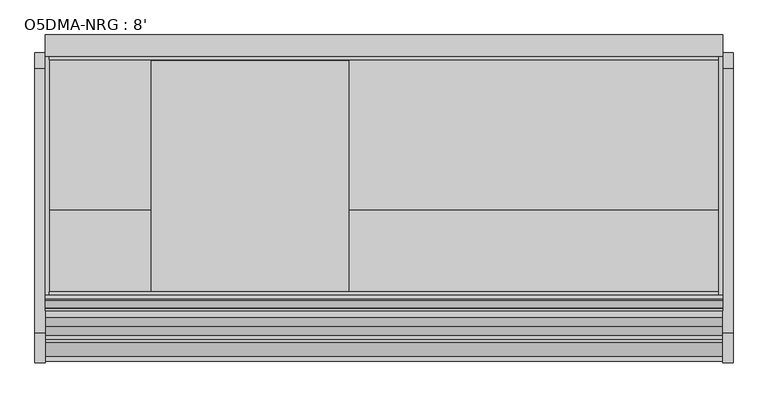
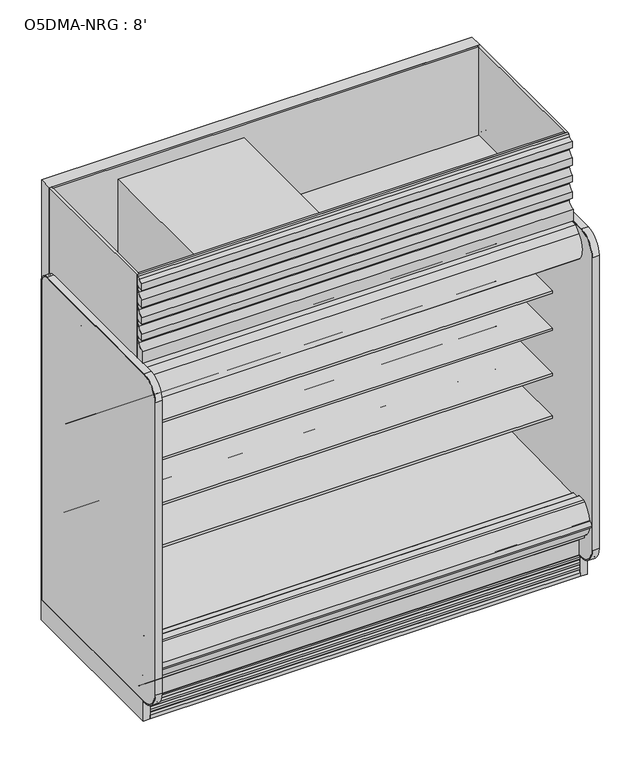
"""IFC4 building model written with IfcOpenShell, lengths in millimetres: proxy geometry, O5DMA-NRG : 8'."""

from ifc_helpers import new_model, si_unit, point, frame, frame_2d, origin, origin_with_axes, place, context, project, spatial, polyline, circle_curve, trimmed, segment, composite_curve, outline, extrude, source, transform, mapped, element, save
from ifc_brep_helpers import plane_surface, cylinder_surface, revolved_surface, advanced_brep


def o5dma_nrg_8_7479a749(model_context):
    return source(origin(), model_context, "Body", "SolidModel", [
        extrude(outline(composite_curve([segment(polyline([(-1263.6866217, 2085.9118693), (-1318.6996994, 2085.9118693), (-1318.6996994, 2154.4143683)]), True, "CONTINUOUS"), segment(trimmed(circle_curve(frame_2d((-1319.6860573, 2197.5880723)), 43.1849699), [point((-1318.6996994, 2154.4143683))], [point((-1278.4754826, 2184.6795423))], True, "CARTESIAN"), True, "CONTINUOUS"), segment(polyline([(-1278.4754826, 2184.6795423), (-1268.454686, 2220.5791394), (-1302.3579387, 2213.7016488), (-1308.8711502, 2213.7016488), (-1308.8711502, 2254.1281122)]), True, "CONTINUOUS"), segment(trimmed(circle_curve(frame_2d((-1322.8567475, 2297.2085177)), 45.2936891), [point((-1308.8711502, 2254.1281122))], [point((-1279.6211841, 2283.7102095))], True, "CARTESIAN"), True, "CONTINUOUS"), segment(polyline([(-1279.6211841, 2283.7102095), (-1268.454686, 2319.2947996), (-1302.3579387, 2312.4173089), (-1308.7129688, 2312.4173089), (-1308.7129688, 2352.8952074)]), True, "CONTINUOUS"), segment(trimmed(circle_curve(frame_2d((-1323.0244337, 2396.1573595)), 45.5678816), [point((-1308.7129688, 2352.8952074))], [point((-1279.5752621, 2382.4241398))], True, "CARTESIAN"), True, "CONTINUOUS"), segment(polyline([(-1279.5752621, 2382.4241398), (-1268.454686, 2417.6074274), (-1302.3579387, 2411.1335648), (-1308.7129688, 2411.1335648), (-1308.7129688, 2456.6217182)]), True, "CONTINUOUS"), segment(trimmed(circle_curve(frame_2d((-1323.0244337, 2499.8838703)), 45.5678816), [point((-1308.7129688, 2456.6217182))], [point((-1279.5752621, 2486.1506506))], True, "CARTESIAN"), True, "CONTINUOUS"), segment(polyline([(-1279.5752621, 2486.1506506), (-1268.454686, 2521.3339382), (-1302.3579387, 2514.8600756), (-1308.7129688, 2514.8600756), (-1308.7129688, 2555.3379741)]), True, "CONTINUOUS"), segment(trimmed(circle_curve(frame_2d((-1306.8077518, 2590.2849342)), 34.9988553), [point((-1308.7129688, 2555.3379741))], [point((-1281.9927789, 2565.6042334))], True, "CARTESIAN"), True, "CONTINUOUS"), segment(polyline([(-1281.9927789, 2565.6042334), (-1277.4161637, 2582.0), (-1263.6866217, 2582.0), (-1263.6866217, 2085.9118693)]), True, "CONTINUOUS")], self_intersect=False)), frame((0.0, 0.0, 0.0), z_axis=(1.0, 0.0, 0.0), x_axis=(0.0, 1.0, 0.0)), (0.0, 0.0, 1.0), 2438.4),
        extrude(outline(polyline([(245.4971536, -595.3134422), (245.4971536, -709.6134422), (67.6971536, -709.6134422), (67.6971536, -595.3134422), (245.4971536, -595.3134422)])), frame((0.0, 0.0, 68.5310382), z_axis=(0.0, 0.0, 1.0), x_axis=(1.0, 0.0, 0.0)), (0.0, 0.0, 1.0), 6.35),
        extrude(outline(polyline([(2438.4, -325.3089273), (2438.4, -401.5089273), (0.0, -401.5089273), (0.0, -325.3089273), (2438.4, -325.3089273)])), frame((0.0, 0.0, 206.450819), z_axis=(0.0, 0.0, 1.0), x_axis=(1.0, 0.0, 0.0)), (0.0, 0.0, 1.0), 2375.549181),
        extrude(outline(polyline([(-401.5089273, 2053.8264246), (-955.9036792, 2053.8264246), (-955.9036792, 2075.2), (-1263.6866217, 2075.2), (-1263.6866217, 2582.0), (-401.5089273, 2582.0), (-401.5089273, 2053.8264246)])), frame((2425.7, 0.0, 0.0), z_axis=(1.0, 0.0, 0.0), x_axis=(0.0, 1.0, 0.0)), (0.0, 0.0, 1.0), 12.7),
        extrude(outline(polyline([(2425.7, -401.5089273), (2425.7, -414.2089273), (12.7, -414.2089273), (12.7, -401.5089273), (2425.7, -401.5089273)])), frame((0.0, 0.0, 2053.8264246), z_axis=(0.0, 0.0, 1.0), x_axis=(1.0, 0.0, 0.0)), (0.0, 0.0, 1.0), 528.1735754),
        extrude(outline(polyline([(2425.7, -1249.5614572), (2425.7, -1263.6866217), (12.7, -1263.6866217), (12.7, -1249.5614572), (2425.7, -1249.5614572)])), frame((0.0, 0.0, 2075.2), z_axis=(0.0, 0.0, 1.0), x_axis=(1.0, 0.0, 0.0)), (0.0, 0.0, 1.0), 506.8),
        extrude(outline(polyline([(-401.5089273, 2053.8264246), (-955.9242099, 2053.8264246), (-955.9242099, 2075.2), (-1263.6866217, 2075.2), (-1263.6866217, 2582.0), (-401.5089273, 2582.0), (-401.5089273, 2053.8264246)])), frame((0.0, 0.0, 0.0), z_axis=(1.0, 0.0, 0.0), x_axis=(0.0, 1.0, 0.0)), (0.0, 0.0, 1.0), 12.7),
        extrude(outline(composite_curve([segment(polyline([(-504.9331995, 794.189381), (-504.9331995, 719.0883547), (-528.313746, 719.0883547)]), True, "CONTINUOUS"), segment(trimmed(circle_curve(frame_2d((-528.7455821, 744.4846835)), 25.4), [point((-528.313746, 719.0883547))], [point((-544.7229383, 724.7392008))], False, "CARTESIAN"), True, "CONTINUOUS"), segment(polyline([(-544.7229383, 724.7392008), (-562.5749995, 739.1844663)]), True, "CONTINUOUS"), segment(trimmed(circle_curve(frame_2d((-602.5183901, 689.8207596)), 63.5), [point((-562.5749995, 739.1844663))], [point((-594.6205089, 752.8276915))], True, "CARTESIAN"), True, "CONTINUOUS"), segment(polyline([(-594.6205089, 752.8276915), (-869.1842482, 776.5248289), (-870.6730247, 779.965381), (-1114.4144075, 779.965381), (-1114.4144075, 794.189381), (-504.9331995, 794.189381)]), True, "CONTINUOUS")], self_intersect=False)), frame((0.0, 0.0, 0.0), z_axis=(1.0, 0.0, 0.0), x_axis=(0.0, 1.0, 0.0)), (0.0, 0.0, 1.0), 2438.4),
        extrude(outline(composite_curve([segment(polyline([(-504.9331995, 1049.544493), (-504.9331995, 974.4434667), (-528.313746, 974.4434667)]), True, "CONTINUOUS"), segment(trimmed(circle_curve(frame_2d((-528.7455821, 999.8397955)), 25.4), [point((-528.313746, 974.4434667))], [point((-544.7229383, 980.0943128))], False, "CARTESIAN"), True, "CONTINUOUS"), segment(polyline([(-544.7229383, 980.0943128), (-562.5749995, 994.5395783)]), True, "CONTINUOUS"), segment(trimmed(circle_curve(frame_2d((-602.5183901, 945.1758716)), 63.5), [point((-562.5749995, 994.5395783))], [point((-594.6205089, 1008.1828035))], True, "CARTESIAN"), True, "CONTINUOUS"), segment(polyline([(-594.6205089, 1008.1828035), (-869.1842482, 1031.8799409), (-870.6730247, 1035.320493), (-1114.4144075, 1035.320493), (-1114.4144075, 1049.544493), (-504.9331995, 1049.544493)]), True, "CONTINUOUS")], self_intersect=False)), frame((0.0, 0.0, 0.0), z_axis=(1.0, 0.0, 0.0), x_axis=(0.0, 1.0, 0.0)), (0.0, 0.0, 1.0), 2438.4),
        extrude(outline(composite_curve([segment(polyline([(-504.9331995, 1319.5585779), (-504.9331995, 1244.4575515), (-528.313746, 1244.4575515)]), True, "CONTINUOUS"), segment(trimmed(circle_curve(frame_2d((-528.7455821, 1269.8538803)), 25.4), [point((-528.313746, 1244.4575515))], [point((-544.7229383, 1250.1083976))], False, "CARTESIAN"), True, "CONTINUOUS"), segment(polyline([(-544.7229383, 1250.1083976), (-562.5749995, 1264.5536632)]), True, "CONTINUOUS"), segment(trimmed(circle_curve(frame_2d((-602.5183901, 1215.1899564)), 63.5), [point((-562.5749995, 1264.5536632))], [point((-594.6205089, 1278.1968884))], True, "CARTESIAN"), True, "CONTINUOUS"), segment(polyline([(-594.6205089, 1278.1968884), (-869.1842482, 1301.8940258), (-870.6730247, 1305.3345779), (-1114.4144075, 1305.3345779), (-1114.4144075, 1319.5585779), (-504.9331995, 1319.5585779)]), True, "CONTINUOUS")], self_intersect=False)), frame((0.0, 0.0, 0.0), z_axis=(1.0, 0.0, 0.0), x_axis=(0.0, 1.0, 0.0)), (0.0, 0.0, 1.0), 2438.4),
        extrude(outline(polyline([(-819.1925954, 1873.7130953), (-820.7483185, 1873.3970543), (-824.056726, 1889.6828121), (-824.056726, 1949.6779319), (-754.206726, 1949.6779319), (-754.206726, 1948.4203121), (-766.112976, 1948.4203121), (-801.831726, 1924.6078121), (-801.831726, 1948.4203121), (-822.469226, 1948.4203121), (-822.469226, 1889.8424301), (-819.1925954, 1873.7130953)])), frame((0.0, 0.0, 0.0), z_axis=(1.0, 0.0, 0.0), x_axis=(0.0, 1.0, 0.0)), (0.0, 0.0, 1.0), 2438.4),
        extrude(outline(composite_curve([segment(trimmed(circle_curve(frame_2d((-774.1696558, 1920.6997366)), 14.2875), [point((-788.4571558, 1920.6997366))], [point((-759.8821558, 1920.6997366))], False, "CARTESIAN"), True, "CONTINUOUS"), segment(trimmed(circle_curve(frame_2d((-774.1696558, 1920.6997366)), 14.2875), [point((-759.8821558, 1920.6997366))], [point((-788.4571558, 1920.6997366))], False, "CARTESIAN"), True, "CONTINUOUS")], self_intersect=False)), frame((0.0, 0.0, 0.0), z_axis=(1.0, 0.0, 0.0), x_axis=(0.0, 1.0, 0.0)), (0.0, 0.0, 1.0), 2438.4),
        extrude(outline(polyline([(0.0, -6.35), (0.0, 0.0), (2438.4, 0.0), (2438.4, -6.35), (0.0, -6.35)])), frame((2438.4, -524.3976265, 1670.2859362), z_axis=(0.0, -0.580702955710887, 0.8141155183563569), x_axis=(-1.0, 0.0, 0.0)), (0.0, 0.0, 1.0), 300.455534),
        extrude(outline(composite_curve([segment(trimmed(circle_curve(frame_2d((-507.6345065, 1656.5706649)), 2.8575), [point((-504.9331995, 1655.6388672))], [point((-506.5179923, 1653.9403223))], False, "CARTESIAN"), True, "CONTINUOUS"), segment(polyline([(-506.5179923, 1653.9403223), (-515.6142737, 1650.0791799)]), True, "CONTINUOUS"), segment(trimmed(circle_curve(frame_2d((-516.7307879, 1652.7095225)), 2.8575), [point((-515.6142737, 1650.0791799))], [point((-519.2768391, 1651.4122447))], False, "CARTESIAN"), True, "CONTINUOUS"), segment(polyline([(-519.2768391, 1651.4122447), (-527.2046481, 1666.971446)]), True, "CONTINUOUS"), segment(trimmed(circle_curve(frame_2d((-526.0730698, 1667.5480139)), 1.27), [point((-527.2046481, 1666.971446))], [point((-526.6496378, 1668.6795922))], False, "CARTESIAN"), True, "CONTINUOUS"), segment(polyline([(-526.6496378, 1668.6795922), (-519.227993, 1673.9734), (-507.4434516, 1657.4520824), (-506.0470065, 1656.5706649), (-506.0470065, 1694.6699147), (-504.9331995, 1694.6699147), (-504.9331995, 1655.6388672)]), True, "CONTINUOUS")], self_intersect=False)), frame((0.0, 0.0, 0.0), z_axis=(1.0, 0.0, 0.0), x_axis=(0.0, 1.0, 0.0)), (0.0, 0.0, 1.0), 2438.4),
        extrude(outline(composite_curve([segment(polyline([(-696.8626604, 1923.0080191), (-693.7034096, 1918.5789129), (-698.8730432, 1914.8914491), (-701.4750016, 1914.0888217)]), True, "CONTINUOUS"), segment(trimmed(circle_curve(frame_2d((-702.1352778, 1916.2293059)), 2.2400083), [point((-701.4750016, 1914.0888217))], [point((-703.3202525, 1914.3283924))], False, "CARTESIAN"), True, "CONTINUOUS"), segment(polyline([(-703.3202525, 1914.3283924), (-727.3498745, 1948.0166799), (-743.2248745, 1948.0166799), (-743.2248745, 1949.6779319), (-726.9748589, 1949.6779319), (-714.1682492, 1931.7237274), (-704.480356, 1938.6340345)]), True, "CONTINUOUS"), segment(trimmed(circle_curve(frame_2d((-703.7428632, 1937.6001078)), 1.27), [point((-704.480356, 1938.6340345))], [point((-702.7089365, 1938.3376005))], False, "CARTESIAN"), True, "CONTINUOUS"), segment(polyline([(-702.7089365, 1938.3376005), (-693.4902771, 1925.4135167), (-696.8626604, 1923.0080191)]), True, "CONTINUOUS")], self_intersect=False)), frame((0.0, 0.0, 0.0), z_axis=(1.0, 0.0, 0.0), x_axis=(0.0, 1.0, 0.0)), (0.0, 0.0, 1.0), 2438.4),
        extrude(outline(composite_curve([segment(trimmed(circle_curve(frame_2d((368.3, 2358.8090336)), 12.7), [point((368.3, 2371.5090336))], [point((368.3, 2346.1090336))], False, "CARTESIAN"), True, "CONTINUOUS"), segment(trimmed(circle_curve(frame_2d((368.3, 2358.8090336)), 12.7), [point((368.3, 2346.1090336))], [point((368.3, 2371.5090336))], False, "CARTESIAN"), True, "CONTINUOUS")], self_intersect=False)), frame((0.0, -447.5561252, 0.0), z_axis=(0.0, 1.0, 0.0), x_axis=(0.0, 0.0, 1.0)), (0.0, 0.0, 1.0), 52.3971979),
        extrude(outline(composite_curve([segment(trimmed(circle_curve(frame_2d((368.3, 2320.3972115)), 9.525), [point((368.3, 2329.9222115))], [point((368.3, 2310.8722115))], False, "CARTESIAN"), True, "CONTINUOUS"), segment(trimmed(circle_curve(frame_2d((368.3, 2320.3972115)), 9.525), [point((368.3, 2310.8722115))], [point((368.3, 2329.9222115))], False, "CARTESIAN"), True, "CONTINUOUS")], self_intersect=False)), frame((0.0, -447.5561252, 0.0), z_axis=(0.0, 1.0, 0.0), x_axis=(0.0, 0.0, 1.0)), (0.0, 0.0, 1.0), 52.3971979),
        extrude(outline(composite_curve([segment(polyline([(-451.7851762, 2003.6360246), (-451.7851762, 404.745884), (-504.9331995, 404.745884), (-504.9331995, 1926.7316344)]), True, "CONTINUOUS"), segment(trimmed(circle_curve(frame_2d((-530.2144075, 1924.2779595)), 25.4), [point((-504.9331995, 1926.7316344))], [point((-530.1770065, 1949.6779319))], True, "CARTESIAN"), True, "CONTINUOUS"), segment(polyline([(-530.1770065, 1949.6779319), (-1114.9745421, 1949.6779319), (-1114.9745421, 1914.2218291)]), True, "CONTINUOUS"), segment(trimmed(circle_curve(frame_2d((-1117.196833, 1914.2218291)), 2.2222909), [point((-1114.9745421, 1914.2218291))], [point((-1117.196833, 1911.9995382))], False, "CARTESIAN"), True, "CONTINUOUS"), segment(polyline([(-1117.196833, 1911.9995382), (-1126.6611644, 1911.9995382)]), True, "CONTINUOUS"), segment(trimmed(circle_curve(frame_2d((-1126.6611644, 1912.3170382)), 0.3175), [point((-1126.6611644, 1911.9995382))], [point((-1126.6611644, 1912.6345382))], False, "CARTESIAN"), True, "CONTINUOUS"), segment(polyline([(-1126.6611644, 1912.6345382), (-1117.1970421, 1912.6345382)]), True, "CONTINUOUS"), segment(trimmed(circle_curve(frame_2d((-1117.1970421, 1914.2220382)), 1.5875), [point((-1117.1970421, 1912.6345382))], [point((-1115.6095421, 1914.2220382))], True, "CARTESIAN"), True, "CONTINUOUS"), segment(polyline([(-1115.6095421, 1914.2220382), (-1115.6095421, 1942.4487846), (-1220.1998155, 1942.4487846), (-1220.1998155, 1914.2220382)]), True, "CONTINUOUS"), segment(trimmed(circle_curve(frame_2d((-1218.6123155, 1914.2220382)), 1.5875), [point((-1220.1998155, 1914.2220382))], [point((-1218.6123155, 1912.6345382))], True, "CARTESIAN"), True, "CONTINUOUS"), segment(polyline([(-1218.6123155, 1912.6345382), (-1209.9959099, 1912.6345382)]), True, "CONTINUOUS"), segment(trimmed(circle_curve(frame_2d((-1209.9959099, 1912.3170382)), 0.3175), [point((-1209.9959099, 1912.6345382))], [point((-1209.9959099, 1911.9995382))], False, "CARTESIAN"), True, "CONTINUOUS"), segment(polyline([(-1209.9959099, 1911.9995382), (-1218.6125246, 1911.9995382)]), True, "CONTINUOUS"), segment(trimmed(circle_curve(frame_2d((-1218.6125246, 1914.2218291)), 2.2222909), [point((-1218.6125246, 1911.9995382))], [point((-1220.8348155, 1914.2220382))], False, "CARTESIAN"), True, "CONTINUOUS"), segment(polyline([(-1220.8348155, 1914.2220382), (-1220.8264025, 2003.6360246), (-451.7851762, 2003.6360246)]), True, "CONTINUOUS")], self_intersect=False)), frame((0.0, 0.0, 0.0), z_axis=(1.0, 0.0, 0.0), x_axis=(0.0, 1.0, 0.0)), (0.0, 0.0, 1.0), 2438.4),
        advanced_brep(
        [(2438.4, -1428.7889874, 391.24255), (2438.4, -1428.7889874, 254.2724833), (2438.4, -1275.0830824, 130.175), (2438.4, -401.5089273, 130.175), (2438.4, -401.5089273, 2053.8264246), (2438.4, -1260.1538424, 2053.8264246), (2438.4, -1260.1538424, 2003.6360246), (2438.4, -451.7851762, 2003.6360246), (2438.4, -451.7851762, 363.9695251), (2438.4, -599.5014929, 211.662363), (2438.4, -1043.5931205, 195.6779213), (2438.4, -1096.7050237, 157.095884), (2438.4, -1163.5210307, 157.095884), (2438.4, -1221.5656168, 189.2720563), (2438.4, -1379.2843872, 341.5792153), (2438.4, -1379.2843872, 391.24255), (0.0, -1428.7889874, 391.24255), (0.0, -1379.2843872, 391.24255), (0.0, -1379.2843872, 341.5792153), (0.0, -1221.5656168, 189.2720563), (0.0, -1163.5210307, 157.095884), (0.0, -1096.7050237, 157.095884), (0.0, -1043.5931205, 195.6779213), (0.0, -599.5014929, 211.662363), (0.0, -451.7851762, 363.9695251), (0.0, -451.7851762, 2003.6360246), (0.0, -1260.1538424, 2003.6360246), (0.0, -1260.1538424, 2053.8264246), (0.0, -401.5089273, 2053.8264246), (0.0, -401.5089273, 130.175), (0.0, -1275.0830824, 130.175), (0.0, -1428.7889874, 254.2724833), (2336.8, -401.5089273, 317.5), (2336.8, -401.5089273, 419.1), (2336.8, -447.5561252, 317.5), (2336.8, -447.5561252, 419.1)],
        [
            (0, 1),
            (1, 2),
            (2, 3),
            (3, 4),
            (4, 5),
            (5, 6),
            (6, 7),
            (7, 8),
            (8, 9, circle_curve(frame((2438.4, -605.0132276, 364.7934683), z_axis=(-1.0, 0.0, 0.0), x_axis=(0.0, 1.0, 0.0)), 153.2302667)),
            (9, 10),
            (10, 11),
            (11, 12),
            (12, 13),
            (13, 14, circle_curve(frame((2438.4, -1226.8843872, 341.5792153), z_axis=(-1.0, 0.0, 0.0), x_axis=(0.0, 1.0, 0.0)), 152.4)),
            (14, 15),
            (15, 0),
            (16, 17),
            (17, 18),
            (18, 19, circle_curve(frame((0.0, -1226.8843872, 341.5792153), z_axis=(1.0, 0.0, 0.0), x_axis=(0.0, 1.0, 0.0)), 152.4)),
            (19, 20),
            (20, 21),
            (21, 22),
            (22, 23),
            (23, 24, circle_curve(frame((0.0, -605.0132276, 364.7934683), z_axis=(1.0, 0.0, 0.0), x_axis=(0.0, 1.0, 0.0)), 153.2302667)),
            (24, 25),
            (25, 26),
            (26, 27),
            (27, 28),
            (28, 29),
            (29, 30),
            (30, 31),
            (31, 16),
            (0, 16),
            (31, 1),
            (30, 2),
            (29, 3),
            (28, 4),
            (32, 33, circle_curve(frame((2336.8, -401.5089273, 368.3), z_axis=(0.0, -1.0, 0.0), x_axis=(0.0, 0.0, 1.0)), 50.8)),
            (33, 32, circle_curve(frame((2336.8, -401.5089273, 368.3), z_axis=(0.0, -1.0, 0.0), x_axis=(0.0, 0.0, 1.0)), 50.8)),
            (27, 5),
            (26, 6),
            (25, 7),
            (24, 8),
            (23, 9),
            (22, 10),
            (21, 11),
            (20, 12),
            (19, 13),
            (18, 14),
            (17, 15),
            (34, 35, circle_curve(frame((2336.8, -447.5561252, 368.3), z_axis=(0.0, 1.0, 0.0), x_axis=(0.0, 0.0, 1.0)), 50.8)),
            (35, 34, circle_curve(frame((2336.8, -447.5561252, 368.3), z_axis=(0.0, 1.0, 0.0), x_axis=(0.0, 0.0, 1.0)), 50.8)),
            (35, 33),
            (32, 34),
        ],
        [
            plane_surface(frame((2438.4, -1428.7889874, 254.2724833), z_axis=(1.0, 0.0, 0.0), x_axis=(0.0, 0.0, -1.0))),
            plane_surface(frame((0.0, -1428.7889874, 254.2724833), z_axis=(-1.0, 0.0, 0.0), x_axis=(0.0, 0.0, 1.0))),
            plane_surface(frame((2438.4, -1428.7889874, 391.24255), z_axis=(0.0, -1.0, 0.0), x_axis=(-1.0, 0.0, 0.0))),
            plane_surface(frame((2438.4, -1428.7889874, 254.2724833), z_axis=(0.0, -0.6281851642637378, -0.7780638787393622), x_axis=(-1.0, 0.0, 0.0))),
            plane_surface(frame((2438.4, -1275.0830824, 130.175), z_axis=(0.0, 0.0, -1.0), x_axis=(-1.0, 0.0, 0.0))),
            plane_surface(frame((2438.4, -401.5089273, 130.175), z_axis=(0.0, 1.0, 0.0), x_axis=(-1.0, 0.0, 0.0))),
            plane_surface(frame((2438.4, -401.5089273, 2053.8264246), z_axis=(0.0, 0.0, 1.0), x_axis=(-1.0, 0.0, 0.0))),
            plane_surface(frame((2438.4, -1260.1538424, 2053.8264246), z_axis=(0.0, -1.0, 0.0), x_axis=(-1.0, 0.0, 0.0))),
            plane_surface(frame((2438.4, -1260.1538424, 2003.6360246), z_axis=(0.0, 0.0, -1.0), x_axis=(-1.0, 0.0, 0.0))),
            plane_surface(frame((2438.4, -451.7851762, 2003.6360246), z_axis=(0.0, -1.0, 0.0), x_axis=(-1.0, 0.0, 0.0))),
            revolved_surface(polyline([(0.0, -451.78296090000003, 364.7934683), (2438.4, -451.78296090000003, 364.7934683)]), (0.0, -605.0132276, 364.7934683), (-1.0, 0.0, 0.0)),
            plane_surface(frame((2438.4, -599.5014929, 211.662363), z_axis=(0.0, -0.035970274152171335, 0.9993528602938092), x_axis=(-1.0, 0.0, 0.0))),
            plane_surface(frame((2438.4, -1043.5931205, 195.6779213), z_axis=(0.0, -0.5877252382160976, 0.8090605937529224), x_axis=(-1.0, 0.0, 0.0))),
            plane_surface(frame((2438.4, -1096.7050237, 157.095884), z_axis=(0.0, 0.0, 1.0), x_axis=(-1.0, 0.0, 0.0))),
            plane_surface(frame((2438.4, -1163.5210307, 157.095884), z_axis=(0.0, 0.48482728759131516, 0.8746099137368889), x_axis=(-1.0, 0.0, 0.0))),
            revolved_surface(polyline([(0.0, -1074.4843872, 341.5792153), (2438.4, -1074.4843872, 341.5792153)]), (0.0, -1226.8843872, 341.5792153), (-1.0, 0.0, 0.0)),
            plane_surface(frame((2438.4, -1379.2843872, 341.5792153), z_axis=(0.0, 1.0, 0.0), x_axis=(-1.0, 0.0, 0.0))),
            plane_surface(frame((2438.4, -1379.2843872, 391.24255), z_axis=(0.0, 0.0, 1.0), x_axis=(-1.0, 0.0, 0.0))),
            plane_surface(frame((2336.8, -447.5561252, 419.1), z_axis=(0.0, 1.0, 0.0), x_axis=(-1.0, 0.0, 0.0))),
            revolved_surface(polyline([(2336.8, -447.5561252, 419.1), (2336.8, -401.5089273, 419.1)]), (2336.8, -401.5089273, 368.3), (0.0, -1.0, 0.0)),
        ],
        [
            (0, [[1, 2, 3, 4, 5, 6, 7, 8, 9, 10, 11, 12, 13, 14, 15, 16]]),
            (1, [[17, 18, 19, 20, 21, 22, 23, 24, 25, 26, 27, 28, 29, 30, 31, 32]]),
            (2, [[-1, 33, -32, 34]]),
            (3, [[-2, -34, -31, 35]]),
            (4, [[-3, -35, -30, 36]]),
            (5, [[-4, -36, -29, 37], [38, 39]]),
            (6, [[-5, -37, -28, 40]]),
            (7, [[-6, -40, -27, 41]]),
            (8, [[-7, -41, -26, 42]]),
            (9, [[-8, -42, -25, 43]]),
            (10, [[-9, -43, -24, 44]]),
            (11, [[-10, -44, -23, 45]]),
            (12, [[-11, -45, -22, 46]]),
            (13, [[-12, -46, -21, 47]]),
            (14, [[-13, -47, -20, 48]]),
            (15, [[-14, -48, -19, 49]]),
            (16, [[-15, -49, -18, 50]]),
            (17, [[-16, -50, -17, -33]]),
            (18, [[51, 52]]),
            (19, [[-52, 53, -38, 54]]),
            (19, [[-51, -54, -39, -53]]),
        ],
    ),
        advanced_brep(
        [(2438.4, -1221.5656168, 189.2720563), (2438.4, -1163.5210307, 157.095884), (2438.4, -1096.7050237, 157.095884), (2438.4, -1043.5931205, 195.6779213), (2438.4, -599.5014929, 211.662363), (2438.4, -451.7851762, 363.9695251), (2438.4, -451.7851762, 404.745884), (2438.4, -504.9543965, 404.745884), (2438.4, -504.9543965, 468.8781737), (2438.4, -516.6398058, 457.951581), (2438.4, -611.5826347, 451.2993262), (2438.4, -611.5826347, 459.5548668), (2438.4, -1317.6144075, 447.2310363), (2438.4, -1317.6144075, 451.8697146), (2438.4, -1324.3287142, 459.701519), (2438.4, -1379.2843872, 459.701519), (2438.4, -1379.2843872, 341.5792153), (0.0, -1221.5656168, 189.2720563), (0.0, -1379.2843872, 341.5792153), (0.0, -1379.2843872, 459.701519), (0.0, -1324.3287142, 459.701519), (0.0, -1317.6144075, 451.8697146), (0.0, -1317.6144075, 447.2310363), (0.0, -611.5826347, 459.5548668), (0.0, -611.5826347, 451.2993262), (0.0, -516.6285003, 457.9391661), (0.0, -504.9543965, 468.8781737), (0.0, -504.9543965, 404.745884), (0.0, -451.7851762, 404.745884), (0.0, -451.7851762, 363.9695251), (0.0, -599.5014929, 211.662363), (0.0, -1043.5931205, 195.6779213), (0.0, -1096.7050237, 157.095884), (0.0, -1163.5210307, 157.095884)],
        [
            (0, 1),
            (1, 2),
            (2, 3),
            (3, 4),
            (4, 5, circle_curve(frame((2438.4, -605.0132276, 364.7934683), z_axis=(1.0, 0.0, 0.0), x_axis=(0.0, 1.0, 0.0)), 153.2302667)),
            (5, 6),
            (6, 7),
            (7, 8),
            (8, 9, circle_curve(frame((2438.4, -517.5249667, 470.6099714), z_axis=(-1.0, 0.0, 0.0), x_axis=(0.0, 1.0, 0.0)), 12.689301)),
            (9, 10),
            (10, 11),
            (11, 12),
            (12, 13),
            (13, 14, circle_curve(frame((2438.4, -1325.5392075, 451.8697146), z_axis=(1.0, 0.0, 0.0), x_axis=(0.0, 1.0, 0.0)), 7.9248)),
            (14, 15),
            (15, 16),
            (16, 0, circle_curve(frame((2438.4, -1226.8843872, 341.5792153), z_axis=(1.0, 0.0, 0.0), x_axis=(0.0, 1.0, 0.0)), 152.4)),
            (17, 18, circle_curve(frame((0.0, -1226.8843872, 341.5792153), z_axis=(-1.0, 0.0, 0.0), x_axis=(0.0, 1.0, 0.0)), 152.4)),
            (18, 19),
            (19, 20),
            (20, 21, circle_curve(frame((0.0, -1325.5392075, 451.8697146), z_axis=(-1.0, 0.0, 0.0), x_axis=(0.0, 1.0, 0.0)), 7.9248)),
            (21, 22),
            (22, 23),
            (23, 24),
            (24, 25),
            (25, 26, circle_curve(frame((0.0, -517.5249667, 470.6099714), z_axis=(1.0, 0.0, 0.0), x_axis=(0.0, 1.0, 0.0)), 12.689301)),
            (26, 27),
            (27, 28),
            (28, 29),
            (29, 30, circle_curve(frame((0.0, -605.0132276, 364.7934683), z_axis=(-1.0, 0.0, 0.0), x_axis=(0.0, 1.0, 0.0)), 153.2302667)),
            (30, 31),
            (31, 32),
            (32, 33),
            (33, 17),
            (15, 19),
            (18, 16),
            (17, 0),
            (33, 1),
            (32, 2),
            (31, 3),
            (30, 4),
            (29, 5),
            (28, 6),
            (27, 7),
            (26, 8),
            (25, 9),
            (24, 10),
            (23, 11),
            (22, 12),
            (14, 20),
            (21, 13),
        ],
        [
            plane_surface(frame((2438.4, -1221.5656168, 189.2720563), z_axis=(1.0, 0.0, 0.0), x_axis=(0.0, 0.8746099137368883, -0.48482728759131605))),
            plane_surface(frame((0.0, -1221.5656168, 189.2720563), z_axis=(-1.0, 0.0, 0.0), x_axis=(0.0, -0.8746099137368883, 0.48482728759131605))),
            plane_surface(frame((2438.4, -1379.2843872, 459.701519), z_axis=(0.0, -1.0, 0.0), x_axis=(-1.0, 0.0, 0.0))),
            cylinder_surface(frame((0.0, -1226.8843872, 341.5792153), z_axis=(1.0, 0.0, 0.0), x_axis=(0.0, 1.0, 0.0)), 152.4),
            plane_surface(frame((2438.4, -1221.5656168, 189.2720563), z_axis=(0.0, -0.48482728759131605, -0.8746099137368883), x_axis=(-1.0, 0.0, 0.0))),
            plane_surface(frame((2438.4, -1163.5210307, 157.095884), z_axis=(0.0, 0.0, -1.0), x_axis=(-1.0, 0.0, 0.0))),
            plane_surface(frame((2438.4, -1096.7050237, 157.095884), z_axis=(0.0, 0.5877252382160976, -0.8090605937529224), x_axis=(-1.0, 0.0, 0.0))),
            plane_surface(frame((2438.4, -1043.5931205, 195.6779213), z_axis=(0.0, 0.03597027415217135, -0.9993528602938092), x_axis=(-1.0, 0.0, 0.0))),
            cylinder_surface(frame((0.0, -605.0132276, 364.7934683), z_axis=(1.0, 0.0, 0.0), x_axis=(0.0, 1.0, 0.0)), 153.2302667),
            plane_surface(frame((2438.4, -451.7851762, 363.9695251), z_axis=(0.0, 1.0, 0.0), x_axis=(-1.0, 0.0, 0.0))),
            plane_surface(frame((2438.4, -451.7851762, 404.745884), z_axis=(0.0, 0.0, 1.0), x_axis=(-1.0, 0.0, 0.0))),
            plane_surface(frame((2438.4, -504.9543965, 404.745884), z_axis=(0.0, 1.0, 0.0), x_axis=(-1.0, 0.0, 0.0))),
            revolved_surface(polyline([(0.0, -504.83566570000005, 470.6099714), (2438.4, -504.83566570000005, 470.6099714)]), (0.0, -517.5249667, 470.6099714), (-1.0, 0.0, 0.0)),
            plane_surface(frame((2438.4, -516.6285003, 457.9391661), z_axis=(0.0, -0.06975647369769093, 0.9975640502630714), x_axis=(-1.0, 0.0, 0.0))),
            plane_surface(frame((2438.4, -611.5826347, 451.2993262), z_axis=(0.0, 1.0, 0.0), x_axis=(-1.0, 0.0, 0.0))),
            plane_surface(frame((2438.4, -611.5826347, 459.5548668), z_axis=(0.0, -0.0174524064372834, 0.9998476951563914), x_axis=(-1.0, 0.0, 0.0))),
            plane_surface(frame((2438.4, -1324.3287142, 459.701519), z_axis=(0.0, 0.0, 1.0), x_axis=(-1.0, 0.0, 0.0))),
            plane_surface(frame((2438.4, -1317.6144075, 447.2310363), z_axis=(0.0, 1.0, 0.0), x_axis=(-1.0, 0.0, 0.0))),
            cylinder_surface(frame((0.0, -1325.5392075, 451.8697146), z_axis=(1.0, 0.0, 0.0), x_axis=(0.0, 1.0, 0.0)), 7.9248),
        ],
        [
            (0, [[1, 2, 3, 4, 5, 6, 7, 8, 9, 10, 11, 12, 13, 14, 15, 16, 17]]),
            (1, [[18, 19, 20, 21, 22, 23, 24, 25, 26, 27, 28, 29, 30, 31, 32, 33, 34]]),
            (2, [[-16, 35, -19, 36]]),
            (3, [[-17, -36, -18, 37]]),
            (4, [[-1, -37, -34, 38]]),
            (5, [[-2, -38, -33, 39]]),
            (6, [[-3, -39, -32, 40]]),
            (7, [[-4, -40, -31, 41]]),
            (8, [[-5, -41, -30, 42]]),
            (9, [[-6, -42, -29, 43]]),
            (10, [[-7, -43, -28, 44]]),
            (11, [[-8, -44, -27, 45]]),
            (12, [[-9, -45, -26, 46]]),
            (13, [[-10, -46, -25, 47]]),
            (14, [[-11, -47, -24, 48]]),
            (15, [[-12, -48, -23, 49]]),
            (16, [[-15, 50, -20, -35]]),
            (17, [[-13, -49, -22, 51]]),
            (18, [[-14, -51, -21, -50]]),
        ],
    ),
        extrude(outline(composite_curve([segment(trimmed(circle_curve(frame_2d((1219.2, -1128.5839273)), 38.1), [point((1181.1, -1128.5839273))], [point((1257.3, -1128.5839273))], False, "CARTESIAN"), True, "CONTINUOUS"), segment(trimmed(circle_curve(frame_2d((1219.2, -1128.5839273)), 38.1), [point((1257.3, -1128.5839273))], [point((1181.1, -1128.5839273))], False, "CARTESIAN"), True, "CONTINUOUS")], self_intersect=False)), frame((0.0, 0.0, 66.7090149), z_axis=(0.0, 0.0, 1.0), x_axis=(1.0, 0.0, 0.0)), (0.0, 0.0, 1.0), 57.1159851),
        advanced_brep(
        [(2438.4, -401.5089273, 0.0), (2438.4, -401.5089273, 130.175), (2438.4, -1207.9589273, 130.175), (2438.4, -1207.9589273, 0.0), (2438.4, -1161.1594273, 0.0), (2438.4, -1161.1594273, 74.8810382), (2438.4, -446.7209273, 74.8810382), (2438.4, -446.7209273, 0.0), (0.0, -401.5089273, 0.0), (0.0, -446.7209273, 0.0), (0.0, -446.7209273, 74.8810382), (0.0, -1161.1594273, 74.8810382), (0.0, -1161.1594273, 0.0), (0.0, -1207.9589273, 0.0), (0.0, -1207.9589273, 130.175), (0.0, -401.5089273, 130.175), (1180.2195331, -1161.1594273, 0.0), (1258.1804669, -1161.1594273, 0.0), (1258.1804669, -1161.1594273, 74.8810382), (1180.2195331, -1161.1594273, 74.8810382), (1270.0, -1128.5839273, 74.8810382), (1168.4, -1128.5839273, 74.8810382), (1168.4, -1128.5839273, 123.825), (1270.0, -1128.5839273, 123.825)],
        [
            (0, 1),
            (1, 2),
            (2, 3),
            (3, 4),
            (4, 5),
            (5, 6),
            (6, 7),
            (7, 0),
            (8, 9),
            (9, 10),
            (10, 11),
            (11, 12),
            (12, 13),
            (13, 14),
            (14, 15),
            (15, 8),
            (0, 8),
            (15, 1),
            (14, 2),
            (13, 3),
            (12, 16),
            (16, 17, circle_curve(frame((1219.2, -1128.5839273, 0.0), z_axis=(0.0, 0.0, 1.0), x_axis=(1.0, 0.0, 0.0)), 50.8)),
            (17, 4),
            (17, 18),
            (18, 5),
            (11, 19),
            (19, 16),
            (18, 20, circle_curve(frame((1219.2, -1128.5839273, 74.8810382), z_axis=(0.0, 0.0, 1.0), x_axis=(1.0, 0.0, 0.0)), 50.8)),
            (20, 21, circle_curve(frame((1219.2, -1128.5839273, 74.8810382), z_axis=(0.0, 0.0, 1.0), x_axis=(1.0, 0.0, 0.0)), 50.8)),
            (21, 19, circle_curve(frame((1219.2, -1128.5839273, 74.8810382), z_axis=(0.0, 0.0, 1.0), x_axis=(1.0, 0.0, 0.0)), 50.8)),
            (10, 6),
            (9, 7),
            (22, 23, circle_curve(frame((1219.2, -1128.5839273, 123.825), z_axis=(0.0, 0.0, -1.0), x_axis=(1.0, 0.0, 0.0)), 50.8)),
            (23, 22, circle_curve(frame((1219.2, -1128.5839273, 123.825), z_axis=(0.0, 0.0, -1.0), x_axis=(1.0, 0.0, 0.0)), 50.8)),
            (23, 20),
            (21, 22),
        ],
        [
            plane_surface(frame((2438.4, -401.5089273, 1893.5715584), z_axis=(1.0, 0.0, 0.0), x_axis=(0.0, 0.0, 1.0))),
            plane_surface(frame((0.0, -401.5089273, 1893.5715584), z_axis=(-1.0, 0.0, 0.0), x_axis=(0.0, 0.0, -1.0))),
            plane_surface(frame((2438.4, -401.5089273, 0.0), z_axis=(0.0, 1.0, 0.0), x_axis=(-1.0, 0.0, 0.0))),
            plane_surface(frame((2438.4, -401.5089273, 130.175), z_axis=(0.0, 0.0, 1.0), x_axis=(-1.0, 0.0, 0.0))),
            plane_surface(frame((2438.4, -1207.9589273, 130.175), z_axis=(0.0, -1.0, 0.0), x_axis=(-1.0, 0.0, 0.0))),
            plane_surface(frame((2438.4, -1207.9589273, 0.0), z_axis=(0.0, 0.0, -1.0), x_axis=(-1.0, 0.0, 0.0))),
            plane_surface(frame((2438.4, -1161.1594273, 0.0), z_axis=(0.0, 1.0, 0.0), x_axis=(-1.0, 0.0, 0.0))),
            plane_surface(frame((2438.4, -1161.1594273, 74.8810382), z_axis=(0.0, 0.0, -1.0), x_axis=(-1.0, 0.0, 0.0))),
            plane_surface(frame((2438.4, -446.7209273, 74.8810382), z_axis=(0.0, -1.0, 0.0), x_axis=(-1.0, 0.0, 0.0))),
            plane_surface(frame((2438.4, -446.7209273, 0.0), z_axis=(0.0, 0.0, -1.0), x_axis=(-1.0, 0.0, 0.0))),
            plane_surface(frame((1270.0, -1128.5839273, 123.825), z_axis=(0.0, 0.0, -1.0), x_axis=(0.0, 1.0, 0.0))),
            revolved_surface(polyline([(1270.0, -1128.5839273, 123.825), (1270.0, -1128.5839273, 0.0)]), (1219.2, -1128.5839273, 0.0), (0.0, 0.0, 1.0)),
            revolved_surface(polyline([(1270.0, -1128.5839273, 123.825), (1270.0, -1128.5839273, 74.8810382)]), (1219.2, -1128.5839273, 0.0), (0.0, 0.0, 1.0)),
        ],
        [
            (0, [[1, 2, 3, 4, 5, 6, 7, 8]]),
            (1, [[9, 10, 11, 12, 13, 14, 15, 16]]),
            (2, [[-1, 17, -16, 18]]),
            (3, [[-2, -18, -15, 19]]),
            (4, [[-3, -19, -14, 20]]),
            (5, [[-4, -20, -13, 21, 22, 23]]),
            (6, [[-5, -23, 24, 25]]),
            (6, [[-12, 26, 27, -21]]),
            (7, [[-6, -25, 28, 29, 30, -26, -11, 31]]),
            (8, [[-7, -31, -10, 32]]),
            (9, [[-8, -32, -9, -17]]),
            (10, [[33, 34]]),
            (11, [[-34, 35, -28, -24, -22, -27, -30, 36]]),
            (12, [[-33, -36, -29, -35]]),
        ],
    ),
        extrude(outline(polyline([(2438.4, -1116.5701579), (2438.4, -1218.1701566), (0.0, -1218.1701566), (0.0, -1116.5701579), (2438.4, -1116.5701579)])), frame((0.0, 0.0, 1917.0487834), z_axis=(0.0, 0.0, 1.0), x_axis=(1.0, 0.0, 0.0)), (0.0, 0.0, 1.0), 25.4000011),
        extrude(outline(composite_curve([segment(polyline([(-1260.1538424, 2053.8264246), (-1260.1538424, 2003.6360246), (-1220.8264025, 2003.6360246), (-1220.8344922, 1917.6586919), (-1224.0993787, 1917.6586919), (-1267.3535045, 1944.5671584), (-1351.2398379, 1944.5671584), (-1356.6580659, 1915.1925269), (-1364.7530353, 1908.6350237), (-1366.511868, 1902.7826624), (-1372.4488058, 1893.5938836)]), True, "CONTINUOUS"), segment(trimmed(circle_curve(frame_2d((-1375.8465098, 1899.7176579)), 7.0032138), [point((-1372.4488058, 1893.5938836))], [point((-1381.0745434, 1895.0579725))], False, "CARTESIAN"), True, "CONTINUOUS"), segment(trimmed(circle_curve(frame_2d((-1302.2709587, 1965.2946894)), 105.5613631), [point((-1381.0745434, 1895.0579725))], [point((-1375.3239258, 2041.4948558))], False, "CARTESIAN"), True, "CONTINUOUS"), segment(trimmed(circle_curve(frame_2d((-1841.8678083, 2527.7369217)), 673.865373), [point((-1375.3239258, 2041.4948558))], [point((-1342.5634167, 2075.2))], True, "CARTESIAN"), True, "CONTINUOUS"), segment(polyline([(-1342.5634167, 2075.2), (-955.9242099, 2075.2), (-955.9242099, 2053.8264246), (-1260.1538424, 2053.8264246)]), True, "CONTINUOUS")], self_intersect=False)), frame((0.0, 0.0, 0.0), z_axis=(1.0, 0.0, 0.0), x_axis=(0.0, 1.0, 0.0)), (0.0, 0.0, 1.0), 2438.4),
        extrude(outline(composite_curve([segment(trimmed(circle_curve(frame_2d((-1283.5813717, 1926.408005)), 14.2875), [point((-1297.8688717, 1926.408005))], [point((-1269.2938717, 1926.408005))], False, "CARTESIAN"), True, "CONTINUOUS"), segment(trimmed(circle_curve(frame_2d((-1283.5813717, 1926.408005)), 14.2875), [point((-1269.2938717, 1926.408005))], [point((-1297.8688717, 1926.408005))], False, "CARTESIAN"), True, "CONTINUOUS")], self_intersect=False)), frame((0.0, 0.0, 0.0), z_axis=(1.0, 0.0, 0.0), x_axis=(0.0, 1.0, 0.0)), (0.0, 0.0, 1.0), 2438.4),
        extrude(outline(composite_curve([segment(trimmed(circle_curve(frame_2d((-1328.6626169, 1926.9342226)), 14.2875), [point((-1342.9501169, 1926.9342226))], [point((-1314.3751169, 1926.9342226))], False, "CARTESIAN"), True, "CONTINUOUS"), segment(trimmed(circle_curve(frame_2d((-1328.6626169, 1926.9342226)), 14.2875), [point((-1314.3751169, 1926.9342226))], [point((-1342.9501169, 1926.9342226))], False, "CARTESIAN"), True, "CONTINUOUS")], self_intersect=False)), frame((0.0, 0.0, 0.0), z_axis=(1.0, 0.0, 0.0), x_axis=(0.0, 1.0, 0.0)), (0.0, 0.0, 1.0), 2438.4),
        extrude(outline(composite_curve([segment(polyline([(-504.9331995, 1543.1704193), (-504.9331995, 1468.069393), (-528.313746, 1468.069393)]), True, "CONTINUOUS"), segment(trimmed(circle_curve(frame_2d((-528.7455821, 1493.4657218)), 25.4), [point((-528.313746, 1468.069393))], [point((-544.7229383, 1473.7202391))], False, "CARTESIAN"), True, "CONTINUOUS"), segment(polyline([(-544.7229383, 1473.7202391), (-562.5749995, 1488.1655047)]), True, "CONTINUOUS"), segment(trimmed(circle_curve(frame_2d((-602.5183901, 1438.8017979)), 63.5), [point((-562.5749995, 1488.1655047))], [point((-594.6205089, 1501.8087298))], True, "CARTESIAN"), True, "CONTINUOUS"), segment(polyline([(-594.6205089, 1501.8087298), (-869.1842482, 1525.5058672), (-870.6730247, 1528.9464193), (-1114.4144075, 1528.9464193), (-1114.4144075, 1543.1704193), (-504.9331995, 1543.1704193)]), True, "CONTINUOUS")], self_intersect=False)), frame((0.0, 0.0, 0.0), z_axis=(1.0, 0.0, 0.0), x_axis=(0.0, 1.0, 0.0)), (0.0, 0.0, 1.0), 2438.4),
        extrude(outline(composite_curve([segment(trimmed(circle_curve(frame_2d((-1483.0555665, 368.7711132)), 17.2640772), [point((-1500.3196437, 368.7711132))], [point((-1465.7914892, 368.7711132))], False, "CARTESIAN"), True, "CONTINUOUS"), segment(trimmed(circle_curve(frame_2d((-1483.0555665, 368.7711132)), 17.2640772), [point((-1465.7914892, 368.7711132))], [point((-1500.3196437, 368.7711132))], False, "CARTESIAN"), True, "CONTINUOUS")], self_intersect=False)), frame((0.0, 0.0, 0.0), z_axis=(1.0, 0.0, 0.0), x_axis=(0.0, 1.0, 0.0)), (0.0, 0.0, 1.0), 2438.4),
        extrude(outline(composite_curve([segment(polyline([(-1428.7889874, 391.24255), (-1428.7889874, 286.3557944), (-1448.5832193, 286.3557944)]), True, "CONTINUOUS"), segment(trimmed(circle_curve(frame_2d((-1447.7894533, 292.7232943)), 6.4167842), [point((-1448.5832193, 286.3557944))], [point((-1452.6005296, 288.4772768))], False, "CARTESIAN"), True, "CONTINUOUS"), segment(trimmed(circle_curve(frame_2d((-1357.5774057, 372.3399768)), 126.7373131), [point((-1452.6005296, 288.4772768))], [point((-1482.5942008, 351.5277814))], False, "CARTESIAN"), True, "CONTINUOUS"), segment(trimmed(circle_curve(frame_2d((-1483.15473, 368.7784027)), 17.2597256), [point((-1482.5942008, 351.5277814))], [point((-1482.5942919, 386.029027))], True, "CARTESIAN"), True, "CONTINUOUS"), segment(trimmed(circle_curve(frame_2d((-1310.4428876, 341.5685499)), 177.8), [point((-1482.5942919, 386.029027))], [point((-1431.2508221, 472.0226912))], False, "CARTESIAN"), True, "CONTINUOUS"), segment(trimmed(circle_curve(frame_2d((-1420.4643994, 460.375)), 15.875), [point((-1431.2508221, 472.0226912))], [point((-1420.4643994, 476.25))], False, "CARTESIAN"), True, "CONTINUOUS"), segment(polyline([(-1420.4643994, 476.25), (-1378.0463994, 476.25)]), True, "CONTINUOUS"), segment(trimmed(circle_curve(frame_2d((-1378.0463994, 473.075)), 3.175), [point((-1378.0463994, 476.25))], [point((-1374.8713994, 473.075))], False, "CARTESIAN"), True, "CONTINUOUS"), segment(polyline([(-1374.8713994, 473.075), (-1374.8713994, 459.701519), (-1379.2843872, 459.701519), (-1379.2843872, 391.24255), (-1428.7889874, 391.24255)]), True, "CONTINUOUS")], self_intersect=False)), frame((0.0, 0.0, 0.0), z_axis=(1.0, 0.0, 0.0), x_axis=(0.0, 1.0, 0.0)), (0.0, 0.0, 1.0), 2438.4),
        extrude(outline(composite_curve([segment(polyline([(-1369.8839273, 206.7143253), (-1369.8839273, 0.0), (-1388.9339273, 0.0), (-1388.9339273, 21.4927595)]), True, "CONTINUOUS"), segment(trimmed(circle_curve(frame_2d((-1389.2433986, 35.0385724)), 13.5493476), [point((-1388.9339273, 21.4927595))], [point((-1376.3135203, 30.9885022))], True, "CARTESIAN"), True, "CONTINUOUS"), segment(polyline([(-1376.3135203, 30.9885022), (-1373.1694807, 42.2520535), (-1383.8066759, 40.0942307), (-1385.8005759, 40.0942307), (-1385.8005759, 52.7942307)]), True, "CONTINUOUS"), segment(trimmed(circle_curve(frame_2d((-1390.2184437, 66.2963779)), 14.2065314), [point((-1385.8005759, 52.7942307))], [point((-1376.6585778, 62.0589765))], True, "CARTESIAN"), True, "CONTINUOUS"), segment(polyline([(-1376.6585778, 62.0589765), (-1373.1694807, 73.2242366), (-1383.8066759, 71.0664138), (-1385.8005759, 71.0664138), (-1385.8005759, 83.7664138)]), True, "CONTINUOUS"), segment(trimmed(circle_curve(frame_2d((-1390.290819, 97.3399774)), 14.2969897), [point((-1385.8005759, 83.7664138))], [point((-1376.6585778, 93.0311596))], True, "CARTESIAN"), True, "CONTINUOUS"), segment(polyline([(-1376.6585778, 93.0311596), (-1373.1694807, 104.0699677), (-1383.8066759, 102.0387838), (-1385.8005759, 102.0387838), (-1385.8005759, 114.7387838)]), True, "CONTINUOUS"), segment(trimmed(circle_curve(frame_2d((-1385.2028113, 125.7034438)), 10.9809422), [point((-1385.8005759, 114.7387838))], [point((-1377.4170772, 117.9598377))], True, "CARTESIAN"), True, "CONTINUOUS"), segment(polyline([(-1377.4170772, 117.9598377), (-1377.4170772, 121.5911682), (-1377.4170772, 212.796362), (-1369.8839273, 206.7143253)]), True, "CONTINUOUS")], self_intersect=False)), frame((0.0, 0.0, 0.0), z_axis=(1.0, 0.0, 0.0), x_axis=(0.0, 1.0, 0.0)), (0.0, 0.0, 1.0), 2438.4),
        extrude(outline(polyline([(-1207.9589273, 130.175), (-1207.9589273, 10.9768116), (-1369.8839273, 10.9768116), (-1369.8839273, 206.7143253), (-1275.0830824, 130.175), (-1207.9589273, 130.175)])), frame((0.0, 0.0, 0.0), z_axis=(1.0, 0.0, 0.0), x_axis=(0.0, 1.0, 0.0)), (0.0, 0.0, 1.0), 2438.4),
        extrude(outline(composite_curve([segment(polyline([(-1500.0589273, 225.425), (-1500.0589273, 1978.025)]), True, "CONTINUOUS"), segment(trimmed(circle_curve(frame_2d((-1398.4589273, 1978.025)), 101.6), [point((-1500.0589273, 1978.025))], [point((-1398.4589273, 2079.625))], False, "CARTESIAN"), True, "CONTINUOUS"), segment(polyline([(-1398.4589273, 2079.625), (-445.9589273, 2079.625)]), True, "CONTINUOUS"), segment(trimmed(circle_curve(frame_2d((-445.9589273, 2028.825)), 50.8), [point((-445.9589273, 2079.625))], [point((-395.1589273, 2028.825))], False, "CARTESIAN"), True, "CONTINUOUS"), segment(polyline([(-395.1589273, 2028.825), (-395.1589273, 123.825), (-1398.4589273, 123.825)]), True, "CONTINUOUS"), segment(trimmed(circle_curve(frame_2d((-1398.4589273, 225.425)), 101.6), [point((-1398.4589273, 123.825))], [point((-1500.0589273, 225.425))], False, "CARTESIAN"), True, "CONTINUOUS")], self_intersect=False)), frame((2438.4, 0.0, 0.0), z_axis=(1.0, 0.0, 0.0), x_axis=(0.0, 1.0, 0.0)), (0.0, 0.0, 1.0), 38.1),
        extrude(outline(composite_curve([segment(trimmed(circle_curve(frame_2d((-1398.4589273, 225.425)), 101.6), [point((-1500.0589273, 225.425))], [point((-1398.4589273, 123.825))], True, "CARTESIAN"), True, "CONTINUOUS"), segment(polyline([(-1398.4589273, 123.825), (-1388.9339273, 123.825), (-1388.9339273, 117.8960417)]), True, "CONTINUOUS"), segment(trimmed(circle_curve(frame_2d((-1398.0513921, 225.6230886)), 108.1121862), [point((-1388.9339273, 117.8960417))], [point((-1506.1635784, 225.6230886))], False, "CARTESIAN"), True, "CONTINUOUS"), segment(polyline([(-1506.1635784, 225.6230886), (-1506.1635784, 1978.061088)]), True, "CONTINUOUS"), segment(trimmed(circle_curve(frame_2d((-1398.3127971, 1978.061088)), 107.8507812), [point((-1506.1635784, 1978.061088))], [point((-1398.3127971, 2085.9118693))], False, "CARTESIAN"), True, "CONTINUOUS"), segment(polyline([(-1398.3127971, 2085.9118693), (-445.947449, 2085.9118693)]), True, "CONTINUOUS"), segment(trimmed(circle_curve(frame_2d((-445.947449, 2028.7963042)), 57.1155651), [point((-445.947449, 2085.9118693))], [point((-388.8318839, 2028.7963042))], False, "CARTESIAN"), True, "CONTINUOUS"), segment(polyline([(-388.8318839, 2028.7963042), (-388.8318839, 123.825), (-395.1589273, 123.825), (-395.1589273, 2028.825)]), True, "CONTINUOUS"), segment(trimmed(circle_curve(frame_2d((-445.9589273, 2028.825)), 50.8), [point((-395.1589273, 2028.825))], [point((-445.9589273, 2079.625))], True, "CARTESIAN"), True, "CONTINUOUS"), segment(polyline([(-445.9589273, 2079.625), (-1398.4589273, 2079.625)]), True, "CONTINUOUS"), segment(trimmed(circle_curve(frame_2d((-1398.4589273, 1978.025)), 101.6), [point((-1398.4589273, 2079.625))], [point((-1500.0589273, 1978.025))], True, "CARTESIAN"), True, "CONTINUOUS"), segment(polyline([(-1500.0589273, 1978.025), (-1500.0589273, 225.425)]), True, "CONTINUOUS")], self_intersect=False)), frame((2438.4, 0.0, 0.0), z_axis=(1.0, 0.0, 0.0), x_axis=(0.0, 1.0, 0.0)), (0.0, 0.0, 1.0), 38.1),
        extrude(outline(polyline([(2476.5, -388.8089273), (2476.5, -1388.9339273), (2438.4, -1388.9339273), (2438.4, -388.8089273), (2476.5, -388.8089273)])), origin_with_axes(), (0.0, 0.0, 1.0), 123.825),
        extrude(outline(composite_curve([segment(polyline([(-1500.0589273, 225.425), (-1500.0589273, 1978.025)]), True, "CONTINUOUS"), segment(trimmed(circle_curve(frame_2d((-1398.4589273, 1978.025)), 101.6), [point((-1500.0589273, 1978.025))], [point((-1398.4589273, 2079.625))], False, "CARTESIAN"), True, "CONTINUOUS"), segment(polyline([(-1398.4589273, 2079.625), (-445.9589273, 2079.625)]), True, "CONTINUOUS"), segment(trimmed(circle_curve(frame_2d((-445.9589273, 2028.825)), 50.8), [point((-445.9589273, 2079.625))], [point((-395.1589273, 2028.825))], False, "CARTESIAN"), True, "CONTINUOUS"), segment(polyline([(-395.1589273, 2028.825), (-395.1589273, 123.825), (-1398.4589273, 123.825)]), True, "CONTINUOUS"), segment(trimmed(circle_curve(frame_2d((-1398.4589273, 225.425)), 101.6), [point((-1398.4589273, 123.825))], [point((-1500.0589273, 225.425))], False, "CARTESIAN"), True, "CONTINUOUS")], self_intersect=False)), frame((-38.1, 0.0, 0.0), z_axis=(1.0, 0.0, 0.0), x_axis=(0.0, 1.0, 0.0)), (0.0, 0.0, 1.0), 38.1),
        extrude(outline(composite_curve([segment(trimmed(circle_curve(frame_2d((-1398.4589273, 225.425)), 101.6), [point((-1500.0589273, 225.425))], [point((-1398.4589273, 123.825))], True, "CARTESIAN"), True, "CONTINUOUS"), segment(polyline([(-1398.4589273, 123.825), (-1388.9339273, 123.825), (-1388.9339273, 117.8960417)]), True, "CONTINUOUS"), segment(trimmed(circle_curve(frame_2d((-1398.0513921, 225.6230886)), 108.1121862), [point((-1388.9339273, 117.8960417))], [point((-1506.1635784, 225.6230886))], False, "CARTESIAN"), True, "CONTINUOUS"), segment(polyline([(-1506.1635784, 225.6230886), (-1506.1635784, 1978.061088)]), True, "CONTINUOUS"), segment(trimmed(circle_curve(frame_2d((-1398.3127971, 1978.061088)), 107.8507812), [point((-1506.1635784, 1978.061088))], [point((-1398.3127971, 2085.9118693))], False, "CARTESIAN"), True, "CONTINUOUS"), segment(polyline([(-1398.3127971, 2085.9118693), (-445.947449, 2085.9118693)]), True, "CONTINUOUS"), segment(trimmed(circle_curve(frame_2d((-445.947449, 2028.7963042)), 57.1155651), [point((-445.947449, 2085.9118693))], [point((-388.8318839, 2028.7963042))], False, "CARTESIAN"), True, "CONTINUOUS"), segment(polyline([(-388.8318839, 2028.7963042), (-388.8318839, 123.825), (-395.1589273, 123.825), (-395.1589273, 2028.825)]), True, "CONTINUOUS"), segment(trimmed(circle_curve(frame_2d((-445.9589273, 2028.825)), 50.8), [point((-395.1589273, 2028.825))], [point((-445.9589273, 2079.625))], True, "CARTESIAN"), True, "CONTINUOUS"), segment(polyline([(-445.9589273, 2079.625), (-1398.4589273, 2079.625)]), True, "CONTINUOUS"), segment(trimmed(circle_curve(frame_2d((-1398.4589273, 1978.025)), 101.6), [point((-1398.4589273, 2079.625))], [point((-1500.0589273, 1978.025))], True, "CARTESIAN"), True, "CONTINUOUS"), segment(polyline([(-1500.0589273, 1978.025), (-1500.0589273, 225.425)]), True, "CONTINUOUS")], self_intersect=False)), frame((-38.1, 0.0, 0.0), z_axis=(1.0, 0.0, 0.0), x_axis=(0.0, 1.0, 0.0)), (0.0, 0.0, 1.0), 38.1),
        extrude(outline(polyline([(0.0, -388.8089273), (0.0, -1388.9339273), (-38.1, -1388.9339273), (-38.1, -388.8089273), (0.0, -388.8089273)])), origin_with_axes(), (0.0, 0.0, 1.0), 123.825),
        extrude(outline(polyline([(-417.6792355, 2053.8264246), (-943.0142421, 2053.8264246), (-943.0142421, 2075.2), (-1263.6866217, 2075.2), (-1263.6866217, 2507.0), (-417.6792355, 2507.0), (-417.6792355, 2053.8264246)])), frame((381.0, 0.0, 0.0), z_axis=(1.0, 0.0, 0.0), x_axis=(0.0, 1.0, 0.0)), (0.0, 0.0, 1.0), 711.2),
    ])


if __name__ == "__main__":
    model = new_model("IFC4")
    model_context = context("Model", 3, world=origin())
    ifc_project = project(units=[si_unit("LENGTHUNIT", "METRE", prefix="MILLI")], contexts=[model_context])
    site = spatial("IfcSite", under=ifc_project)
    building = spatial("IfcBuilding", under=site)
    placement = place(None, origin())
    o5dma_nrg_8_shape = o5dma_nrg_8_7479a749(model_context)
    element("IfcBuildingElementProxy", 1, Name="O5DMA-NRG : 8'", ObjectType="O5DMA-NRG : 8'", at=placement, inside=building, context=model_context, shape_type="MappedRepresentation", body=[
        mapped(o5dma_nrg_8_shape, transform((0.0, 0.0, 0.0), x_axis=(1.0, 0.0, 0.0), y_axis=(0.0, 1.0, 0.0), z_axis=(0.0, 0.0, 1.0))),
    ])
    save(model, "model.ifc")
